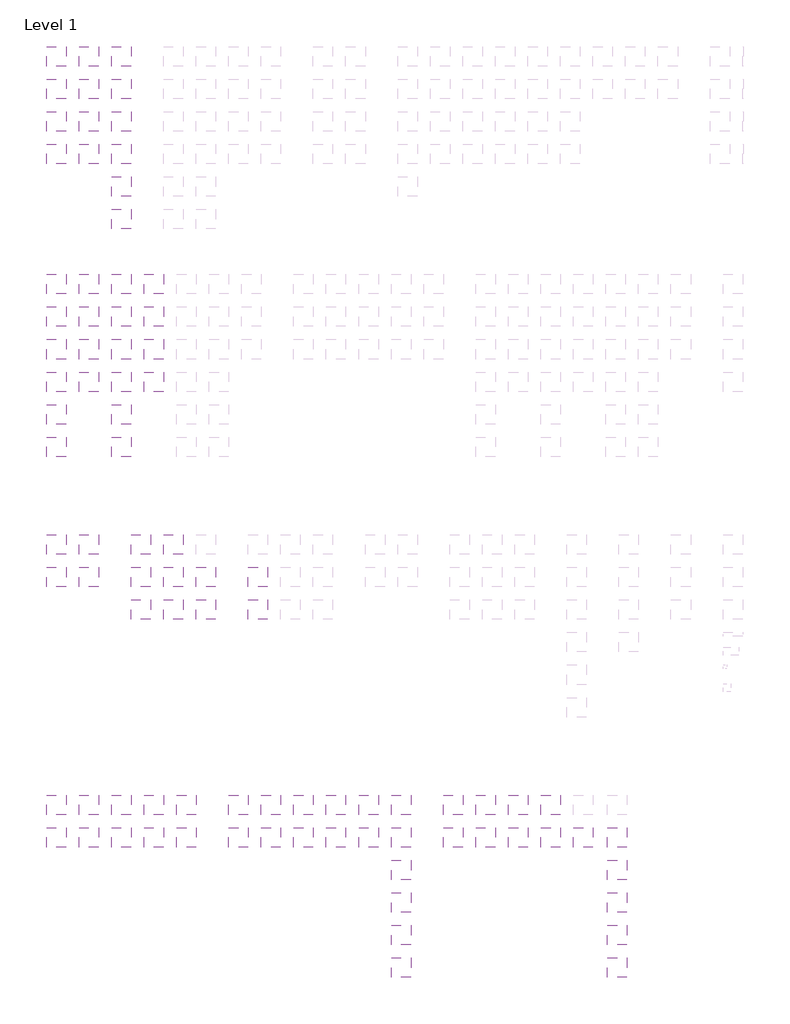
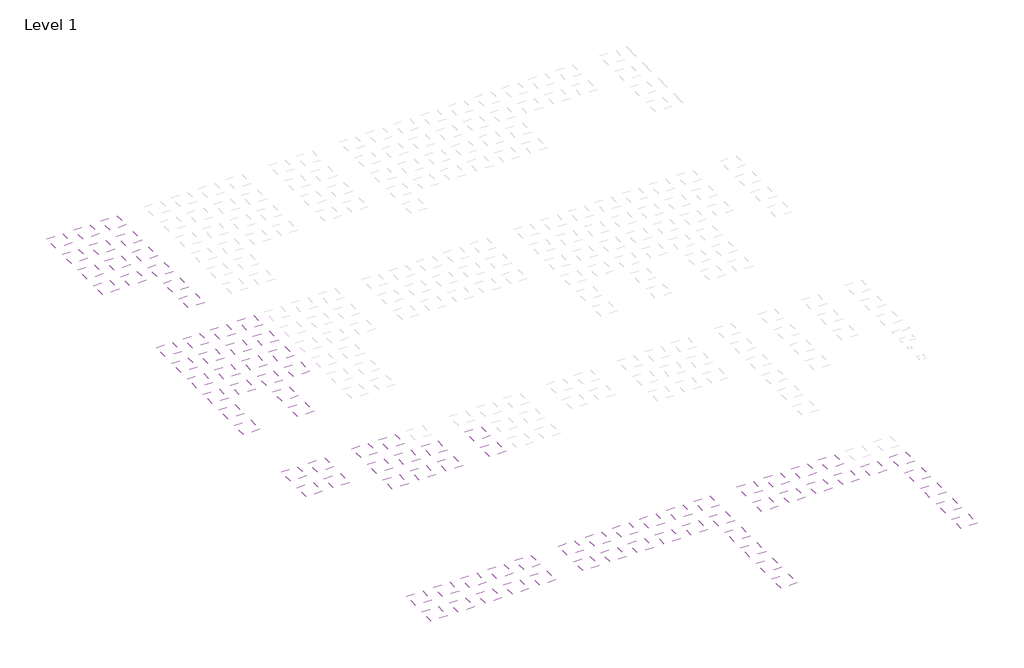
# One storey, part 1 of 90: 88 coverings.
"""IFC4 building model written with IfcOpenShell, lengths in millimetres."""

from ifc_helpers import new_model, si_unit, frame, origin, place, context, project, spatial, polyline, outline, extrude, element, save

model = new_model("IFC4")

# Units and contexts
model_context = context("Model", 3, world=origin())
ifc_project = project(units=[si_unit("LENGTHUNIT", "METRE", prefix="MILLI")], contexts=[model_context])

# Site, building, storey
site = spatial("IfcSite", under=ifc_project)
building = spatial("IfcBuilding", under=site)
storey = spatial("IfcBuildingStorey", under=building, Name="Level 1", Elevation=0.0)

# Coverings
placement = place(None, origin())
element("IfcCovering", 1, at=placement, inside=storey, context=model_context, shape_type="SweptSolid", body=[
    extrude(outline(polyline([(16921.3888175, -87496.7559295), (16921.3888175, -90496.7559295), (13921.3888175, -90496.7559295), (13921.3888175, -87496.7559295), (16921.3888175, -87496.7559295)])), frame((0.0, 0.0, 2600.0), z_axis=(0.0, 0.0, 1.0), x_axis=(1.0, 0.0, 0.0)), (0.0, 0.0, 1.0), 38.0),
])
element("IfcCovering", 2, at=placement, inside=storey, context=model_context, shape_type="SweptSolid", body=[
    extrude(outline(polyline([(-14078.6111825, -42496.7559295), (-14078.6111825, -45496.7559295), (-17078.6111825, -45496.7559295), (-17078.6111825, -42496.7559295), (-14078.6111825, -42496.7559295)])), frame((0.0, 0.0, 2600.0), z_axis=(0.0, 0.0, 1.0), x_axis=(1.0, 0.0, 0.0)), (0.0, 0.0, 1.0), 38.0),
])
element("IfcCovering", 3, at=placement, inside=storey, context=model_context, shape_type="SweptSolid", body=[
    extrude(outline(polyline([(-14078.6111825, -52496.7559295), (-14078.6111825, -55496.7559295), (-17078.6111825, -55496.7559295), (-17078.6111825, -52496.7559295), (-14078.6111825, -52496.7559295)])), frame((0.0, 0.0, 2600.0), z_axis=(0.0, 0.0, 1.0), x_axis=(1.0, 0.0, 0.0)), (0.0, 0.0, 1.0), 38.0),
])
element("IfcCovering", 4, at=placement, inside=storey, context=model_context, shape_type="SweptSolid", body=[
    extrude(outline(polyline([(-14078.6111825, -57496.7559295), (-14078.6111825, -60496.7559295), (-17078.6111825, -60496.7559295), (-17078.6111825, -57496.7559295), (-14078.6111825, -57496.7559295)])), frame((0.0, 0.0, 2600.0), z_axis=(0.0, 0.0, 1.0), x_axis=(1.0, 0.0, 0.0)), (0.0, 0.0, 1.0), 38.0),
])
element("IfcCovering", 5, at=placement, inside=storey, context=model_context, shape_type="SweptSolid", body=[
    extrude(outline(polyline([(-14078.6111825, -67496.7559295), (-14078.6111825, -70496.7559295), (-17078.6111825, -70496.7559295), (-17078.6111825, -67496.7559295), (-14078.6111825, -67496.7559295)])), frame((0.0, 0.0, 2600.0), z_axis=(0.0, 0.0, 1.0), x_axis=(1.0, 0.0, 0.0)), (0.0, 0.0, 1.0), 38.0),
])
element("IfcCovering", 6, at=placement, inside=storey, context=model_context, shape_type="SweptSolid", body=[
    extrude(outline(polyline([(-4078.6111825, -42496.7559295), (-4078.6111825, -45496.7559295), (-7078.6111825, -45496.7559295), (-7078.6111825, -42496.7559295), (-4078.6111825, -42496.7559295)])), frame((0.0, 0.0, 2600.0), z_axis=(0.0, 0.0, 1.0), x_axis=(1.0, 0.0, 0.0)), (0.0, 0.0, 1.0), 38.0),
])
element("IfcCovering", 7, at=placement, inside=storey, context=model_context, shape_type="SweptSolid", body=[
    extrude(outline(polyline([(-4078.6111825, -52496.7559295), (-4078.6111825, -55496.7559295), (-7078.6111825, -55496.7559295), (-7078.6111825, -52496.7559295), (-4078.6111825, -52496.7559295)])), frame((0.0, 0.0, 2600.0), z_axis=(0.0, 0.0, 1.0), x_axis=(1.0, 0.0, 0.0)), (0.0, 0.0, 1.0), 38.0),
])
element("IfcCovering", 8, at=placement, inside=storey, context=model_context, shape_type="SweptSolid", body=[
    extrude(outline(polyline([(-4078.6111825, -57496.7559295), (-4078.6111825, -60496.7559295), (-7078.6111825, -60496.7559295), (-7078.6111825, -57496.7559295), (-4078.6111825, -57496.7559295)])), frame((0.0, 0.0, 2600.0), z_axis=(0.0, 0.0, 1.0), x_axis=(1.0, 0.0, 0.0)), (0.0, 0.0, 1.0), 38.0),
])
element("IfcCovering", 9, at=placement, inside=storey, context=model_context, shape_type="SweptSolid", body=[
    extrude(outline(polyline([(-4078.6111825, -67496.7559295), (-4078.6111825, -70496.7559295), (-7078.6111825, -70496.7559295), (-7078.6111825, -67496.7559295), (-4078.6111825, -67496.7559295)])), frame((0.0, 0.0, 2600.0), z_axis=(0.0, 0.0, 1.0), x_axis=(1.0, 0.0, 0.0)), (0.0, 0.0, 1.0), 38.0),
])
element("IfcCovering", 10, at=placement, inside=storey, context=model_context, shape_type="SweptSolid", body=[
    extrude(outline(polyline([(16921.3888175, -92496.7559295), (16921.3888175, -95496.7559295), (13921.3888175, -95496.7559295), (13921.3888175, -92496.7559295), (16921.3888175, -92496.7559295)])), frame((0.0, 0.0, 2600.0), z_axis=(0.0, 0.0, 1.0), x_axis=(1.0, 0.0, 0.0)), (0.0, 0.0, 1.0), 38.0),
])
element("IfcCovering", 11, at=placement, inside=storey, context=model_context, shape_type="SweptSolid", body=[
    extrude(outline(polyline([(-14078.6111825, -47496.7559295), (-14078.6111825, -50496.7559295), (-17078.6111825, -50496.7559295), (-17078.6111825, -47496.7559295), (-14078.6111825, -47496.7559295)])), frame((0.0, 0.0, 2600.0), z_axis=(0.0, 0.0, 1.0), x_axis=(1.0, 0.0, 0.0)), (0.0, 0.0, 1.0), 38.0),
])
element("IfcCovering", 12, at=placement, inside=storey, context=model_context, shape_type="SweptSolid", body=[
    extrude(outline(polyline([(-4078.6111825, -47496.7559295), (-4078.6111825, -50496.7559295), (-7078.6111825, -50496.7559295), (-7078.6111825, -47496.7559295), (-4078.6111825, -47496.7559295)])), frame((0.0, 0.0, 2600.0), z_axis=(0.0, 0.0, 1.0), x_axis=(1.0, 0.0, 0.0)), (0.0, 0.0, 1.0), 38.0),
])
element("IfcCovering", 13, at=placement, inside=storey, context=model_context, shape_type="SweptSolid", body=[
    extrude(outline(polyline([(-14078.6111825, -62496.7559295), (-14078.6111825, -65496.7559295), (-17078.6111825, -65496.7559295), (-17078.6111825, -62496.7559295), (-14078.6111825, -62496.7559295)])), frame((0.0, 0.0, 2600.0), z_axis=(0.0, 0.0, 1.0), x_axis=(1.0, 0.0, 0.0)), (0.0, 0.0, 1.0), 38.0),
])
element("IfcCovering", 14, at=placement, inside=storey, context=model_context, shape_type="SweptSolid", body=[
    extrude(outline(polyline([(-4078.6111825, -62496.7559295), (-4078.6111825, -65496.7559295), (-7078.6111825, -65496.7559295), (-7078.6111825, -62496.7559295), (-4078.6111825, -62496.7559295)])), frame((0.0, 0.0, 2600.0), z_axis=(0.0, 0.0, 1.0), x_axis=(1.0, 0.0, 0.0)), (0.0, 0.0, 1.0), 38.0),
])
element("IfcCovering", 15, at=placement, inside=storey, context=model_context, shape_type="SweptSolid", body=[
    extrude(outline(polyline([(3921.3888175, -82496.7559295), (3921.3888175, -85496.7559295), (921.3888175, -85496.7559295), (921.3888175, -82496.7559295), (3921.3888175, -82496.7559295)])), frame((0.0, 0.0, 2600.0), z_axis=(0.0, 0.0, 1.0), x_axis=(1.0, 0.0, 0.0)), (0.0, 0.0, 1.0), 38.0),
])
element("IfcCovering", 16, at=placement, inside=storey, context=model_context, shape_type="SweptSolid", body=[
    extrude(outline(polyline([(3921.3888175, -87496.7559295), (3921.3888175, -90496.7559295), (921.3888175, -90496.7559295), (921.3888175, -87496.7559295), (3921.3888175, -87496.7559295)])), frame((0.0, 0.0, 2600.0), z_axis=(0.0, 0.0, 1.0), x_axis=(1.0, 0.0, 0.0)), (0.0, 0.0, 1.0), 38.0),
])
element("IfcCovering", 17, at=placement, inside=storey, context=model_context, shape_type="SweptSolid", body=[
    extrude(outline(polyline([(921.3888175, -42496.7559295), (921.3888175, -45496.7559295), (-2078.6111825, -45496.7559295), (-2078.6111825, -42496.7559295), (921.3888175, -42496.7559295)])), frame((0.0, 0.0, 2600.0), z_axis=(0.0, 0.0, 1.0), x_axis=(1.0, 0.0, 0.0)), (0.0, 0.0, 1.0), 38.0),
])
element("IfcCovering", 18, at=placement, inside=storey, context=model_context, shape_type="SweptSolid", body=[
    extrude(outline(polyline([(921.3888175, -47496.7559295), (921.3888175, -50496.7559295), (-2078.6111825, -50496.7559295), (-2078.6111825, -47496.7559295), (921.3888175, -47496.7559295)])), frame((0.0, 0.0, 2600.0), z_axis=(0.0, 0.0, 1.0), x_axis=(1.0, 0.0, 0.0)), (0.0, 0.0, 1.0), 38.0),
])
element("IfcCovering", 19, at=placement, inside=storey, context=model_context, shape_type="SweptSolid", body=[
    extrude(outline(polyline([(921.3888175, -52496.7559295), (921.3888175, -55496.7559295), (-2078.6111825, -55496.7559295), (-2078.6111825, -52496.7559295), (921.3888175, -52496.7559295)])), frame((0.0, 0.0, 2600.0), z_axis=(0.0, 0.0, 1.0), x_axis=(1.0, 0.0, 0.0)), (0.0, 0.0, 1.0), 38.0),
])
element("IfcCovering", 20, at=placement, inside=storey, context=model_context, shape_type="SweptSolid", body=[
    extrude(outline(polyline([(921.3888175, -57496.7559295), (921.3888175, -60496.7559295), (-2078.6111825, -60496.7559295), (-2078.6111825, -57496.7559295), (921.3888175, -57496.7559295)])), frame((0.0, 0.0, 2600.0), z_axis=(0.0, 0.0, 1.0), x_axis=(1.0, 0.0, 0.0)), (0.0, 0.0, 1.0), 38.0),
])
element("IfcCovering", 21, at=placement, inside=storey, context=model_context, shape_type="SweptSolid", body=[
    extrude(outline(polyline([(-9078.6111825, -42496.7559295), (-9078.6111825, -45496.7559295), (-12078.6111825, -45496.7559295), (-12078.6111825, -42496.7559295), (-9078.6111825, -42496.7559295)])), frame((0.0, 0.0, 2600.0), z_axis=(0.0, 0.0, 1.0), x_axis=(1.0, 0.0, 0.0)), (0.0, 0.0, 1.0), 38.0),
])
element("IfcCovering", 22, at=placement, inside=storey, context=model_context, shape_type="SweptSolid", body=[
    extrude(outline(polyline([(-9078.6111825, -47496.7559295), (-9078.6111825, -50496.7559295), (-12078.6111825, -50496.7559295), (-12078.6111825, -47496.7559295), (-9078.6111825, -47496.7559295)])), frame((0.0, 0.0, 2600.0), z_axis=(0.0, 0.0, 1.0), x_axis=(1.0, 0.0, 0.0)), (0.0, 0.0, 1.0), 38.0),
])
element("IfcCovering", 23, at=placement, inside=storey, context=model_context, shape_type="SweptSolid", body=[
    extrude(outline(polyline([(-9078.6111825, -52496.7559295), (-9078.6111825, -55496.7559295), (-12078.6111825, -55496.7559295), (-12078.6111825, -52496.7559295), (-9078.6111825, -52496.7559295)])), frame((0.0, 0.0, 2600.0), z_axis=(0.0, 0.0, 1.0), x_axis=(1.0, 0.0, 0.0)), (0.0, 0.0, 1.0), 38.0),
])
element("IfcCovering", 24, at=placement, inside=storey, context=model_context, shape_type="SweptSolid", body=[
    extrude(outline(polyline([(-9078.6111825, -57496.7559295), (-9078.6111825, -60496.7559295), (-12078.6111825, -60496.7559295), (-12078.6111825, -57496.7559295), (-9078.6111825, -57496.7559295)])), frame((0.0, 0.0, 2600.0), z_axis=(0.0, 0.0, 1.0), x_axis=(1.0, 0.0, 0.0)), (0.0, 0.0, 1.0), 38.0),
])
element("IfcCovering", 25, at=placement, inside=storey, context=model_context, shape_type="SweptSolid", body=[
    extrude(outline(polyline([(-9078.6111825, -82496.7559295), (-9078.6111825, -85496.7559295), (-12078.6111825, -85496.7559295), (-12078.6111825, -82496.7559295), (-9078.6111825, -82496.7559295)])), frame((0.0, 0.0, 2600.0), z_axis=(0.0, 0.0, 1.0), x_axis=(1.0, 0.0, 0.0)), (0.0, 0.0, 1.0), 38.0),
])
element("IfcCovering", 26, at=placement, inside=storey, context=model_context, shape_type="SweptSolid", body=[
    extrude(outline(polyline([(-9078.6111825, -87496.7559295), (-9078.6111825, -90496.7559295), (-12078.6111825, -90496.7559295), (-12078.6111825, -87496.7559295), (-9078.6111825, -87496.7559295)])), frame((0.0, 0.0, 2600.0), z_axis=(0.0, 0.0, 1.0), x_axis=(1.0, 0.0, 0.0)), (0.0, 0.0, 1.0), 38.0),
])
element("IfcCovering", 27, at=placement, inside=storey, context=model_context, shape_type="SweptSolid", body=[
    extrude(outline(polyline([(-14078.6111825, -17496.7559295), (-14078.6111825, -20496.7559295), (-17078.6111825, -20496.7559295), (-17078.6111825, -17496.7559295), (-14078.6111825, -17496.7559295)])), frame((0.0, 0.0, 2600.0), z_axis=(0.0, 0.0, 1.0), x_axis=(1.0, 0.0, 0.0)), (0.0, 0.0, 1.0), 38.0),
])
element("IfcCovering", 28, at=placement, inside=storey, context=model_context, shape_type="SweptSolid", body=[
    extrude(outline(polyline([(-14078.6111825, -22496.7559295), (-14078.6111825, -25496.7559295), (-17078.6111825, -25496.7559295), (-17078.6111825, -22496.7559295), (-14078.6111825, -22496.7559295)])), frame((0.0, 0.0, 2600.0), z_axis=(0.0, 0.0, 1.0), x_axis=(1.0, 0.0, 0.0)), (0.0, 0.0, 1.0), 38.0),
])
element("IfcCovering", 29, at=placement, inside=storey, context=model_context, shape_type="SweptSolid", body=[
    extrude(outline(polyline([(-14078.6111825, -12496.7559295), (-14078.6111825, -15496.7559295), (-17078.6111825, -15496.7559295), (-17078.6111825, -12496.7559295), (-14078.6111825, -12496.7559295)])), frame((0.0, 0.0, 2600.0), z_axis=(0.0, 0.0, 1.0), x_axis=(1.0, 0.0, 0.0)), (0.0, 0.0, 1.0), 38.0),
])
element("IfcCovering", 30, at=placement, inside=storey, context=model_context, shape_type="SweptSolid", body=[
    extrude(outline(polyline([(-14078.6111825, -122496.7559295), (-14078.6111825, -125496.7559295), (-17078.6111825, -125496.7559295), (-17078.6111825, -122496.7559295), (-14078.6111825, -122496.7559295)])), frame((0.0, 0.0, 2600.0), z_axis=(0.0, 0.0, 1.0), x_axis=(1.0, 0.0, 0.0)), (0.0, 0.0, 1.0), 90.0),
])
element("IfcCovering", 31, at=placement, inside=storey, context=model_context, shape_type="SweptSolid", body=[
    extrude(outline(polyline([(-14078.6111825, -127496.7559295), (-14078.6111825, -130496.7559295), (-17078.6111825, -130496.7559295), (-17078.6111825, -127496.7559295), (-14078.6111825, -127496.7559295)])), frame((0.0, 0.0, 2600.0), z_axis=(0.0, 0.0, 1.0), x_axis=(1.0, 0.0, 0.0)), (0.0, 0.0, 1.0), 90.2),
])
element("IfcCovering", 32, at=placement, inside=storey, context=model_context, shape_type="SweptSolid", body=[
    extrude(outline(polyline([(-9078.6111825, -122496.7559295), (-9078.6111825, -125496.7559295), (-12078.6111825, -125496.7559295), (-12078.6111825, -122496.7559295), (-9078.6111825, -122496.7559295)])), frame((0.0, 0.0, 2600.0), z_axis=(0.0, 0.0, 1.0), x_axis=(1.0, 0.0, 0.0)), (0.0, 0.0, 1.0), 96.0),
])
element("IfcCovering", 33, at=placement, inside=storey, context=model_context, shape_type="SweptSolid", body=[
    extrude(outline(polyline([(-9078.6111825, -127496.7559295), (-9078.6111825, -130496.7559295), (-12078.6111825, -130496.7559295), (-12078.6111825, -127496.7559295), (-9078.6111825, -127496.7559295)])), frame((0.0, 0.0, 2600.0), z_axis=(0.0, 0.0, 1.0), x_axis=(1.0, 0.0, 0.0)), (0.0, 0.0, 1.0), 96.0),
])
element("IfcCovering", 34, at=placement, inside=storey, context=model_context, shape_type="SweptSolid", body=[
    extrude(outline(polyline([(18921.3888175, -122496.7559295), (18921.3888175, -125496.7559295), (15921.3888175, -125496.7559295), (15921.3888175, -122496.7559295), (18921.3888175, -122496.7559295)])), frame((0.0, 0.0, 2600.0), z_axis=(0.0, 0.0, 1.0), x_axis=(1.0, 0.0, 0.0)), (0.0, 0.0, 1.0), 96.0),
])
element("IfcCovering", 35, at=placement, inside=storey, context=model_context, shape_type="SweptSolid", body=[
    extrude(outline(polyline([(18921.3888175, -127496.7559295), (18921.3888175, -130496.7559295), (15921.3888175, -130496.7559295), (15921.3888175, -127496.7559295), (18921.3888175, -127496.7559295)])), frame((0.0, 0.0, 2600.0), z_axis=(0.0, 0.0, 1.0), x_axis=(1.0, 0.0, 0.0)), (0.0, 0.0, 1.0), 96.0),
])
element("IfcCovering", 36, at=placement, inside=storey, context=model_context, shape_type="SweptSolid", body=[
    extrude(outline(polyline([(28921.3888175, -122496.7559295), (28921.3888175, -125496.7559295), (25921.3888175, -125496.7559295), (25921.3888175, -122496.7559295), (28921.3888175, -122496.7559295)])), frame((0.0, 0.0, 2600.0), z_axis=(0.0, 0.0, 1.0), x_axis=(1.0, 0.0, 0.0)), (0.0, 0.0, 1.0), 38.0),
])
element("IfcCovering", 37, at=placement, inside=storey, context=model_context, shape_type="SweptSolid", body=[
    extrude(outline(polyline([(28921.3888175, -127496.7559295), (28921.3888175, -130496.7559295), (25921.3888175, -130496.7559295), (25921.3888175, -127496.7559295), (28921.3888175, -127496.7559295)])), frame((0.0, 0.0, 2600.0), z_axis=(0.0, 0.0, 1.0), x_axis=(1.0, 0.0, 0.0)), (0.0, 0.0, 1.0), 38.0),
])
element("IfcCovering", 38, at=placement, inside=storey, context=model_context, shape_type="SweptSolid", body=[
    extrude(outline(polyline([(-4078.6111825, -122496.7559295), (-4078.6111825, -125496.7559295), (-7078.6111825, -125496.7559295), (-7078.6111825, -122496.7559295), (-4078.6111825, -122496.7559295)])), frame((0.0, 0.0, 2600.0), z_axis=(0.0, 0.0, 1.0), x_axis=(1.0, 0.0, 0.0)), (0.0, 0.0, 1.0), 38.0),
])
element("IfcCovering", 39, at=placement, inside=storey, context=model_context, shape_type="SweptSolid", body=[
    extrude(outline(polyline([(-4078.6111825, -127496.7559295), (-4078.6111825, -130496.7559295), (-7078.6111825, -130496.7559295), (-7078.6111825, -127496.7559295), (-4078.6111825, -127496.7559295)])), frame((0.0, 0.0, 2600.0), z_axis=(0.0, 0.0, 1.0), x_axis=(1.0, 0.0, 0.0)), (0.0, 0.0, 1.0), 38.0),
])
element("IfcCovering", 40, at=placement, inside=storey, context=model_context, shape_type="SweptSolid", body=[
    extrude(outline(polyline([(33921.3888175, -122496.7559295), (33921.3888175, -125496.7559295), (30921.3888175, -125496.7559295), (30921.3888175, -122496.7559295), (33921.3888175, -122496.7559295)])), frame((0.0, 0.0, 2600.0), z_axis=(0.0, 0.0, 1.0), x_axis=(1.0, 0.0, 0.0)), (0.0, 0.0, 1.0), 25.5),
])
element("IfcCovering", 41, at=placement, inside=storey, context=model_context, shape_type="SweptSolid", body=[
    extrude(outline(polyline([(33921.3888175, -127496.7559295), (33921.3888175, -130496.7559295), (30921.3888175, -130496.7559295), (30921.3888175, -127496.7559295), (33921.3888175, -127496.7559295)])), frame((0.0, 0.0, 2600.0), z_axis=(0.0, 0.0, 1.0), x_axis=(1.0, 0.0, 0.0)), (0.0, 0.0, 1.0), 25.5),
])
element("IfcCovering", 42, at=placement, inside=storey, context=model_context, shape_type="SweptSolid", body=[
    extrude(outline(polyline([(38921.3888175, -142496.7559295), (38921.3888175, -145496.7559295), (35921.3888175, -145496.7559295), (35921.3888175, -142496.7559295), (38921.3888175, -142496.7559295)])), frame((0.0, 0.0, 2600.0), z_axis=(0.0, 0.0, 1.0), x_axis=(1.0, 0.0, 0.0)), (0.0, 0.0, 1.0), 40.0),
])
element("IfcCovering", 43, at=placement, inside=storey, context=model_context, shape_type="SweptSolid", body=[
    extrude(outline(polyline([(35921.3888175, -147496.7559295), (38921.3888175, -147496.7559295), (38921.3888175, -150496.7559295), (35921.3888175, -150496.7559295), (35921.3888175, -147496.7559295)])), frame((0.0, 0.0, 2600.0), z_axis=(0.0, 0.0, 1.0), x_axis=(1.0, 0.0, 0.0)), (0.0, 0.0, 1.0), 40.0),
])
element("IfcCovering", 44, at=placement, inside=storey, context=model_context, shape_type="SweptSolid", body=[
    extrude(outline(polyline([(38921.3888175, -137496.7559295), (38921.3888175, -140496.7559295), (35921.3888175, -140496.7559295), (35921.3888175, -137496.7559295), (38921.3888175, -137496.7559295)])), frame((0.0, 0.0, 2600.0), z_axis=(0.0, 0.0, 1.0), x_axis=(1.0, 0.0, 0.0)), (0.0, 0.0, 1.0), 40.0),
])
element("IfcCovering", 45, at=placement, inside=storey, context=model_context, shape_type="SweptSolid", body=[
    extrude(outline(polyline([(38921.3888175, -127496.7559295), (38921.3888175, -130496.7559295), (35921.3888175, -130496.7559295), (35921.3888175, -127496.7559295), (38921.3888175, -127496.7559295)])), frame((0.0, 0.0, 2600.0), z_axis=(0.0, 0.0, 1.0), x_axis=(1.0, 0.0, 0.0)), (0.0, 0.0, 1.0), 40.0),
])
element("IfcCovering", 46, at=placement, inside=storey, context=model_context, shape_type="SweptSolid", body=[
    extrude(outline(polyline([(38921.3888175, -122496.7559295), (38921.3888175, -125496.7559295), (35921.3888175, -125496.7559295), (35921.3888175, -122496.7559295), (38921.3888175, -122496.7559295)])), frame((0.0, 0.0, 2600.0), z_axis=(0.0, 0.0, 1.0), x_axis=(1.0, 0.0, 0.0)), (0.0, 0.0, 1.0), 40.0),
])
element("IfcCovering", 47, at=placement, inside=storey, context=model_context, shape_type="SweptSolid", body=[
    extrude(outline(polyline([(38921.3888175, -132496.7559295), (38921.3888175, -135496.7559295), (35921.3888175, -135496.7559295), (35921.3888175, -132496.7559295), (38921.3888175, -132496.7559295)])), frame((0.0, 0.0, 2600.0), z_axis=(0.0, 0.0, 1.0), x_axis=(1.0, 0.0, 0.0)), (0.0, 0.0, 1.0), 40.0),
])
element("IfcCovering", 48, at=placement, inside=storey, context=model_context, shape_type="SweptSolid", body=[
    extrude(outline(polyline([(23921.3888175, -122496.7559295), (23921.3888175, -125496.7559295), (20921.3888175, -125496.7559295), (20921.3888175, -122496.7559295), (23921.3888175, -122496.7559295)])), frame((0.0, 0.0, 2600.0), z_axis=(0.0, 0.0, 1.0), x_axis=(1.0, 0.0, 0.0)), (0.0, 0.0, 1.0), 38.0),
])
element("IfcCovering", 49, at=placement, inside=storey, context=model_context, shape_type="SweptSolid", body=[
    extrude(outline(polyline([(23921.3888175, -127496.7559295), (23921.3888175, -130496.7559295), (20921.3888175, -130496.7559295), (20921.3888175, -127496.7559295), (23921.3888175, -127496.7559295)])), frame((0.0, 0.0, 2600.0), z_axis=(0.0, 0.0, 1.0), x_axis=(1.0, 0.0, 0.0)), (0.0, 0.0, 1.0), 38.0),
])
element("IfcCovering", 50, at=placement, inside=storey, context=model_context, shape_type="SweptSolid", body=[
    extrude(outline(polyline([(46921.3888175, -122496.7559295), (46921.3888175, -125496.7559295), (43921.3888175, -125496.7559295), (43921.3888175, -122496.7559295), (46921.3888175, -122496.7559295)])), frame((0.0, 0.0, 2600.0), z_axis=(0.0, 0.0, 1.0), x_axis=(1.0, 0.0, 0.0)), (0.0, 0.0, 1.0), 90.0),
])
element("IfcCovering", 51, at=placement, inside=storey, context=model_context, shape_type="SweptSolid", body=[
    extrude(outline(polyline([(46921.3888175, -127496.7559295), (46921.3888175, -130496.7559295), (43921.3888175, -130496.7559295), (43921.3888175, -127496.7559295), (46921.3888175, -127496.7559295)])), frame((0.0, 0.0, 2600.0), z_axis=(0.0, 0.0, 1.0), x_axis=(1.0, 0.0, 0.0)), (0.0, 0.0, 1.0), 90.0),
])
element("IfcCovering", 52, at=placement, inside=storey, context=model_context, shape_type="SweptSolid", body=[
    extrude(outline(polyline([(56921.3888175, -122496.7559295), (56921.3888175, -125496.7559295), (53921.3888175, -125496.7559295), (53921.3888175, -122496.7559295), (56921.3888175, -122496.7559295)])), frame((0.0, 0.0, 2600.0), z_axis=(0.0, 0.0, 1.0), x_axis=(1.0, 0.0, 0.0)), (0.0, 0.0, 1.0), 38.0),
])
element("IfcCovering", 53, at=placement, inside=storey, context=model_context, shape_type="SweptSolid", body=[
    extrude(outline(polyline([(56921.3888175, -127496.7559295), (56921.3888175, -130496.7559295), (53921.3888175, -130496.7559295), (53921.3888175, -127496.7559295), (56921.3888175, -127496.7559295)])), frame((0.0, 0.0, 2600.0), z_axis=(0.0, 0.0, 1.0), x_axis=(1.0, 0.0, 0.0)), (0.0, 0.0, 1.0), 38.0),
])
element("IfcCovering", 54, at=placement, inside=storey, context=model_context, shape_type="SweptSolid", body=[
    extrude(outline(polyline([(51921.3888175, -122496.7559295), (51921.3888175, -125496.7559295), (48921.3888175, -125496.7559295), (48921.3888175, -122496.7559295), (51921.3888175, -122496.7559295)])), frame((0.0, 0.0, 2600.0), z_axis=(0.0, 0.0, 1.0), x_axis=(1.0, 0.0, 0.0)), (0.0, 0.0, 1.0), 96.0),
])
element("IfcCovering", 55, at=placement, inside=storey, context=model_context, shape_type="SweptSolid", body=[
    extrude(outline(polyline([(51921.3888175, -127496.7559295), (51921.3888175, -130496.7559295), (48921.3888175, -130496.7559295), (48921.3888175, -127496.7559295), (51921.3888175, -127496.7559295)])), frame((0.0, 0.0, 2600.0), z_axis=(0.0, 0.0, 1.0), x_axis=(1.0, 0.0, 0.0)), (0.0, 0.0, 1.0), 96.0),
])
element("IfcCovering", 56, at=placement, inside=storey, context=model_context, shape_type="SweptSolid", body=[
    extrude(outline(polyline([(61921.3888175, -122496.7559295), (61921.3888175, -125496.7559295), (58921.3888175, -125496.7559295), (58921.3888175, -122496.7559295), (61921.3888175, -122496.7559295)])), frame((0.0, 0.0, 2600.0), z_axis=(0.0, 0.0, 1.0), x_axis=(1.0, 0.0, 0.0)), (0.0, 0.0, 1.0), 38.0),
])
element("IfcCovering", 57, at=placement, inside=storey, context=model_context, shape_type="SweptSolid", body=[
    extrude(outline(polyline([(61921.3888175, -127496.7559295), (61921.3888175, -130496.7559295), (58921.3888175, -130496.7559295), (58921.3888175, -127496.7559295), (61921.3888175, -127496.7559295)])), frame((0.0, 0.0, 2600.0), z_axis=(0.0, 0.0, 1.0), x_axis=(1.0, 0.0, 0.0)), (0.0, 0.0, 1.0), 38.0),
])
element("IfcCovering", 58, at=placement, inside=storey, context=model_context, shape_type="SweptSolid", body=[
    extrude(outline(polyline([(66921.3888175, -127496.7559295), (66921.3888175, -130496.7559295), (63921.3888175, -130496.7559295), (63921.3888175, -127496.7559295), (66921.3888175, -127496.7559295)])), frame((0.0, 0.0, 2600.0), z_axis=(0.0, 0.0, 1.0), x_axis=(1.0, 0.0, 0.0)), (0.0, 0.0, 1.0), 38.0),
])
element("IfcCovering", 59, at=placement, inside=storey, context=model_context, shape_type="SweptSolid", body=[
    extrude(outline(polyline([(72151.3236559, -127496.7559295), (72151.3236559, -130496.7559295), (69151.3236559, -130496.7559295), (69151.3236559, -127496.7559295), (72151.3236559, -127496.7559295)])), frame((0.0, 0.0, 2600.0), z_axis=(0.0, 0.0, 1.0), x_axis=(1.0, 0.0, 0.0)), (0.0, 0.0, 1.0), 40.0),
])
element("IfcCovering", 60, at=placement, inside=storey, context=model_context, shape_type="SweptSolid", body=[
    extrude(outline(polyline([(72151.3236559, -132496.7559295), (72151.3236559, -135496.7559295), (69151.3236559, -135496.7559295), (69151.3236559, -132496.7559295), (72151.3236559, -132496.7559295)])), frame((0.0, 0.0, 2600.0), z_axis=(0.0, 0.0, 1.0), x_axis=(1.0, 0.0, 0.0)), (0.0, 0.0, 1.0), 40.0),
])
element("IfcCovering", 61, at=placement, inside=storey, context=model_context, shape_type="SweptSolid", body=[
    extrude(outline(polyline([(72151.3236559, -137496.7559295), (72151.3236559, -140496.7559295), (69151.3236559, -140496.7559295), (69151.3236559, -137496.7559295), (72151.3236559, -137496.7559295)])), frame((0.0, 0.0, 2600.0), z_axis=(0.0, 0.0, 1.0), x_axis=(1.0, 0.0, 0.0)), (0.0, 0.0, 1.0), 40.0),
])
element("IfcCovering", 62, at=placement, inside=storey, context=model_context, shape_type="SweptSolid", body=[
    extrude(outline(polyline([(72151.3236559, -142496.7559295), (72151.3236559, -145496.7559295), (69151.3236559, -145496.7559295), (69151.3236559, -142496.7559295), (72151.3236559, -142496.7559295)])), frame((0.0, 0.0, 2600.0), z_axis=(0.0, 0.0, 1.0), x_axis=(1.0, 0.0, 0.0)), (0.0, 0.0, 1.0), 40.0),
])
element("IfcCovering", 63, at=placement, inside=storey, context=model_context, shape_type="SweptSolid", body=[
    extrude(outline(polyline([(72151.3236559, -147496.7559295), (72151.3236559, -150496.7559295), (69151.3236559, -150496.7559295), (69151.3236559, -147496.7559295), (72151.3236559, -147496.7559295)])), frame((0.0, 0.0, 2600.0), z_axis=(0.0, 0.0, 1.0), x_axis=(1.0, 0.0, 0.0)), (0.0, 0.0, 1.0), 40.0),
])
element("IfcCovering", 64, at=placement, inside=storey, context=model_context, shape_type="SweptSolid", body=[
    extrude(outline(polyline([(921.3888175, -122496.7559295), (921.3888175, -125496.7559295), (-2078.6111825, -125496.7559295), (-2078.6111825, -122496.7559295), (921.3888175, -122496.7559295)])), frame((0.0, 0.0, 2600.0), z_axis=(0.0, 0.0, 1.0), x_axis=(1.0, 0.0, 0.0)), (0.0, 0.0, 1.0), 38.0),
])
element("IfcCovering", 65, at=placement, inside=storey, context=model_context, shape_type="SweptSolid", body=[
    extrude(outline(polyline([(921.3888175, -127496.7559295), (921.3888175, -130496.7559295), (-2078.6111825, -130496.7559295), (-2078.6111825, -127496.7559295), (921.3888175, -127496.7559295)])), frame((0.0, 0.0, 2600.0), z_axis=(0.0, 0.0, 1.0), x_axis=(1.0, 0.0, 0.0)), (0.0, 0.0, 1.0), 38.0),
])
element("IfcCovering", 66, at=placement, inside=storey, context=model_context, shape_type="SweptSolid", body=[
    extrude(outline(polyline([(5921.3888175, -122496.7559295), (5921.3888175, -125496.7559295), (2921.3888175, -125496.7559295), (2921.3888175, -122496.7559295), (5921.3888175, -122496.7559295)])), frame((0.0, 0.0, 2600.0), z_axis=(0.0, 0.0, 1.0), x_axis=(1.0, 0.0, 0.0)), (0.0, 0.0, 1.0), 38.0),
])
element("IfcCovering", 67, at=placement, inside=storey, context=model_context, shape_type="SweptSolid", body=[
    extrude(outline(polyline([(5921.3888175, -127496.7559295), (5921.3888175, -130496.7559295), (2921.3888175, -130496.7559295), (2921.3888175, -127496.7559295), (5921.3888175, -127496.7559295)])), frame((0.0, 0.0, 2600.0), z_axis=(0.0, 0.0, 1.0), x_axis=(1.0, 0.0, 0.0)), (0.0, 0.0, 1.0), 38.0),
])
element("IfcCovering", 68, at=placement, inside=storey, context=model_context, shape_type="SweptSolid", body=[
    extrude(outline(polyline([(-9078.6111825, -7496.7559295), (-9078.6111825, -10496.7559295), (-12078.6111825, -10496.7559295), (-12078.6111825, -7496.7559295), (-9078.6111825, -7496.7559295)])), frame((0.0, 0.0, 2600.0), z_axis=(0.0, 0.0, 1.0), x_axis=(1.0, 0.0, 0.0)), (0.0, 0.0, 1.0), 38.0),
])
element("IfcCovering", 69, at=placement, inside=storey, context=model_context, shape_type="SweptSolid", body=[
    extrude(outline(polyline([(-9078.6111825, -17496.7559295), (-9078.6111825, -20496.7559295), (-12078.6111825, -20496.7559295), (-12078.6111825, -17496.7559295), (-9078.6111825, -17496.7559295)])), frame((0.0, 0.0, 2600.0), z_axis=(0.0, 0.0, 1.0), x_axis=(1.0, 0.0, 0.0)), (0.0, 0.0, 1.0), 38.0),
])
element("IfcCovering", 70, at=placement, inside=storey, context=model_context, shape_type="SweptSolid", body=[
    extrude(outline(polyline([(-9078.6111825, -22496.7559295), (-9078.6111825, -25496.7559295), (-12078.6111825, -25496.7559295), (-12078.6111825, -22496.7559295), (-9078.6111825, -22496.7559295)])), frame((0.0, 0.0, 2600.0), z_axis=(0.0, 0.0, 1.0), x_axis=(1.0, 0.0, 0.0)), (0.0, 0.0, 1.0), 38.0),
])
element("IfcCovering", 71, at=placement, inside=storey, context=model_context, shape_type="SweptSolid", body=[
    extrude(outline(polyline([(-9078.6111825, -12496.7559295), (-9078.6111825, -15496.7559295), (-12078.6111825, -15496.7559295), (-12078.6111825, -12496.7559295), (-9078.6111825, -12496.7559295)])), frame((0.0, 0.0, 2600.0), z_axis=(0.0, 0.0, 1.0), x_axis=(1.0, 0.0, 0.0)), (0.0, 0.0, 1.0), 38.0),
])
element("IfcCovering", 72, at=placement, inside=storey, context=model_context, shape_type="SweptSolid", body=[
    extrude(outline(polyline([(-4078.6111825, -7496.7559295), (-4078.6111825, -10496.7559295), (-7078.6111825, -10496.7559295), (-7078.6111825, -7496.7559295), (-4078.6111825, -7496.7559295)])), frame((0.0, 0.0, 2600.0), z_axis=(0.0, 0.0, 1.0), x_axis=(1.0, 0.0, 0.0)), (0.0, 0.0, 1.0), 38.0),
])
element("IfcCovering", 73, at=placement, inside=storey, context=model_context, shape_type="SweptSolid", body=[
    extrude(outline(polyline([(-4078.6111825, -17496.7559295), (-4078.6111825, -20496.7559295), (-7078.6111825, -20496.7559295), (-7078.6111825, -17496.7559295), (-4078.6111825, -17496.7559295)])), frame((0.0, 0.0, 2600.0), z_axis=(0.0, 0.0, 1.0), x_axis=(1.0, 0.0, 0.0)), (0.0, 0.0, 1.0), 38.0),
])
element("IfcCovering", 74, at=placement, inside=storey, context=model_context, shape_type="SweptSolid", body=[
    extrude(outline(polyline([(-4078.6111825, -22496.7559295), (-4078.6111825, -25496.7559295), (-7078.6111825, -25496.7559295), (-7078.6111825, -22496.7559295), (-4078.6111825, -22496.7559295)])), frame((0.0, 0.0, 2600.0), z_axis=(0.0, 0.0, 1.0), x_axis=(1.0, 0.0, 0.0)), (0.0, 0.0, 1.0), 38.0),
])
element("IfcCovering", 75, at=placement, inside=storey, context=model_context, shape_type="SweptSolid", body=[
    extrude(outline(polyline([(-4078.6111825, -12496.7559295), (-4078.6111825, -15496.7559295), (-7078.6111825, -15496.7559295), (-7078.6111825, -12496.7559295), (-4078.6111825, -12496.7559295)])), frame((0.0, 0.0, 2600.0), z_axis=(0.0, 0.0, 1.0), x_axis=(1.0, 0.0, 0.0)), (0.0, 0.0, 1.0), 38.0),
])
element("IfcCovering", 76, at=placement, inside=storey, context=model_context, shape_type="SweptSolid", body=[
    extrude(outline(polyline([(-4078.6111825, -27496.7559295), (-4078.6111825, -30496.7559295), (-7078.6111825, -30496.7559295), (-7078.6111825, -27496.7559295), (-4078.6111825, -27496.7559295)])), frame((0.0, 0.0, 2600.0), z_axis=(0.0, 0.0, 1.0), x_axis=(1.0, 0.0, 0.0)), (0.0, 0.0, 1.0), 38.0),
])
element("IfcCovering", 77, at=placement, inside=storey, context=model_context, shape_type="SweptSolid", body=[
    extrude(outline(polyline([(-4078.6111825, -32496.7559295), (-4078.6111825, -35496.7559295), (-7078.6111825, -35496.7559295), (-7078.6111825, -32496.7559295), (-4078.6111825, -32496.7559295)])), frame((0.0, 0.0, 2600.0), z_axis=(0.0, 0.0, 1.0), x_axis=(1.0, 0.0, 0.0)), (0.0, 0.0, 1.0), 38.0),
])
element("IfcCovering", 78, at=placement, inside=storey, context=model_context, shape_type="SweptSolid", body=[
    extrude(outline(polyline([(3921.3888175, -92496.7559295), (3921.3888175, -95496.7559295), (921.3888175, -95496.7559295), (921.3888175, -92496.7559295), (3921.3888175, -92496.7559295)])), frame((0.0, 0.0, 2600.0), z_axis=(0.0, 0.0, 1.0), x_axis=(1.0, 0.0, 0.0)), (0.0, 0.0, 1.0), 38.0),
])
element("IfcCovering", 79, at=placement, inside=storey, context=model_context, shape_type="SweptSolid", body=[
    extrude(outline(polyline([(-14078.6111825, -7496.7559295), (-14078.6111825, -10496.7559295), (-17078.6111825, -10496.7559295), (-17078.6111825, -7496.7559295), (-14078.6111825, -7496.7559295)])), frame((0.0, 0.0, 2600.0), z_axis=(0.0, 0.0, 1.0), x_axis=(1.0, 0.0, 0.0)), (0.0, 0.0, 1.0), 38.0),
])
element("IfcCovering", 80, at=placement, inside=storey, context=model_context, shape_type="SweptSolid", body=[
    extrude(outline(polyline([(13921.3888175, -122496.7559295), (13921.3888175, -125496.7559295), (10921.3888175, -125496.7559295), (10921.3888175, -122496.7559295), (13921.3888175, -122496.7559295)])), frame((0.0, 0.0, 2600.0), z_axis=(0.0, 0.0, 1.0), x_axis=(1.0, 0.0, 0.0)), (0.0, 0.0, 1.0), 96.0),
])
element("IfcCovering", 81, at=placement, inside=storey, context=model_context, shape_type="SweptSolid", body=[
    extrude(outline(polyline([(13921.3888175, -127496.7559295), (13921.3888175, -130496.7559295), (10921.3888175, -130496.7559295), (10921.3888175, -127496.7559295), (13921.3888175, -127496.7559295)])), frame((0.0, 0.0, 2600.0), z_axis=(0.0, 0.0, 1.0), x_axis=(1.0, 0.0, 0.0)), (0.0, 0.0, 1.0), 96.0),
])
element("IfcCovering", 82, ObjectType="OWA Bamboo Dark Plain S3 600x600_15", at=placement, inside=storey, context=model_context, shape_type="SweptSolid", body=[
    extrude(outline(polyline([(-14078.6111825, -82496.7559295), (-14078.6111825, -85496.7559295), (-17078.6111825, -85496.7559295), (-17078.6111825, -82496.7559295), (-14078.6111825, -82496.7559295)])), frame((0.0, 0.0, 2600.0), z_axis=(0.0, 0.0, 1.0), x_axis=(1.0, 0.0, 0.0)), (0.0, 0.0, 1.0), 38.0),
])
element("IfcCovering", 83, ObjectType="OWA Bamboo Dark Plain S3 625x625_15", at=placement, inside=storey, context=model_context, shape_type="SweptSolid", body=[
    extrude(outline(polyline([(-14078.6111825, -87496.7559295), (-14078.6111825, -90496.7559295), (-17078.6111825, -90496.7559295), (-17078.6111825, -87496.7559295), (-14078.6111825, -87496.7559295)])), frame((0.0, 0.0, 2600.0), z_axis=(0.0, 0.0, 1.0), x_axis=(1.0, 0.0, 0.0)), (0.0, 0.0, 1.0), 38.0),
])
element("IfcCovering", 84, ObjectType="OWA Bamboo Dark Regular Perforated S19 610x610_20", at=placement, inside=storey, context=model_context, shape_type="SweptSolid", body=[
    extrude(outline(polyline([(8921.3888175, -87496.7559295), (8921.3888175, -90496.7559295), (5921.3888175, -90496.7559295), (5921.3888175, -87496.7559295), (8921.3888175, -87496.7559295)])), frame((0.0, 0.0, 2600.0), z_axis=(0.0, 0.0, 1.0), x_axis=(1.0, 0.0, 0.0)), (0.0, 0.0, 1.0), 48.0),
])
element("IfcCovering", 85, ObjectType="OWA Bamboo Dark Regular Perforated S19 625x625_20", at=placement, inside=storey, context=model_context, shape_type="SweptSolid", body=[
    extrude(outline(polyline([(8921.3888175, -92496.7559295), (8921.3888175, -95496.7559295), (5921.3888175, -95496.7559295), (5921.3888175, -92496.7559295), (8921.3888175, -92496.7559295)])), frame((0.0, 0.0, 2600.0), z_axis=(0.0, 0.0, 1.0), x_axis=(1.0, 0.0, 0.0)), (0.0, 0.0, 1.0), 48.0),
])
element("IfcCovering", 86, ObjectType="OWA Bamboo Dark Regular Perforated S3 600x600_15", at=placement, inside=storey, context=model_context, shape_type="SweptSolid", body=[
    extrude(outline(polyline([(-1078.6111825, -82496.7559295), (-1078.6111825, -85496.7559295), (-4078.6111825, -85496.7559295), (-4078.6111825, -82496.7559295), (-1078.6111825, -82496.7559295)])), frame((0.0, 0.0, 2600.0), z_axis=(0.0, 0.0, 1.0), x_axis=(1.0, 0.0, 0.0)), (0.0, 0.0, 1.0), 38.0),
])
element("IfcCovering", 87, ObjectType="OWA Bamboo Dark Regular Perforated S3 610x610_15", at=placement, inside=storey, context=model_context, shape_type="SweptSolid", body=[
    extrude(outline(polyline([(-1078.6111825, -87496.7559295), (-1078.6111825, -90496.7559295), (-4078.6111825, -90496.7559295), (-4078.6111825, -87496.7559295), (-1078.6111825, -87496.7559295)])), frame((0.0, 0.0, 2600.0), z_axis=(0.0, 0.0, 1.0), x_axis=(1.0, 0.0, 0.0)), (0.0, 0.0, 1.0), 38.0),
])
element("IfcCovering", 88, ObjectType="OWA Bamboo Dark Regular Perforated S3 625x625_15", at=placement, inside=storey, context=model_context, shape_type="SweptSolid", body=[
    extrude(outline(polyline([(-1078.6111825, -92496.7559295), (-1078.6111825, -95496.7559295), (-4078.6111825, -95496.7559295), (-4078.6111825, -92496.7559295), (-1078.6111825, -92496.7559295)])), frame((0.0, 0.0, 2600.0), z_axis=(0.0, 0.0, 1.0), x_axis=(1.0, 0.0, 0.0)), (0.0, 0.0, 1.0), 38.0),
])

save(model, "model.ifc")
